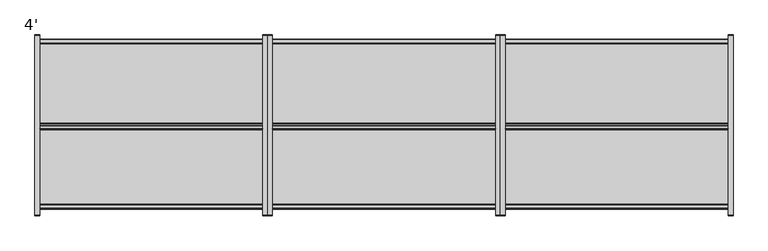
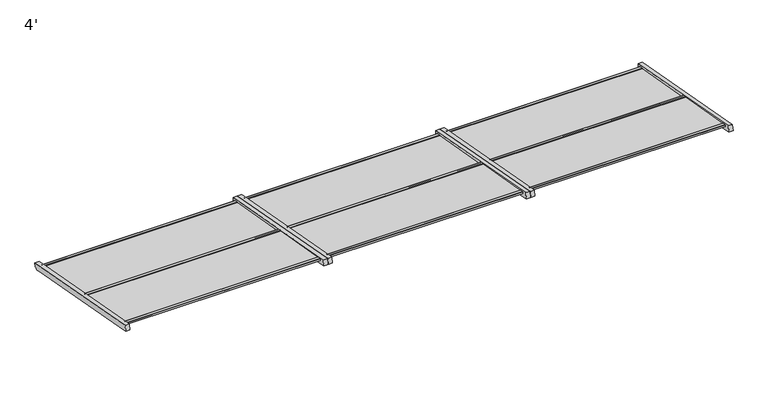
"""IFC4 building model written with IfcOpenShell, lengths in millimetres: proxy geometry, 4'."""

from ifc_helpers import new_model, si_unit, point, frame, frame_2d, origin, place, context, project, spatial, polyline, circle_curve, trimmed, segment, composite_curve, outline, extrude, source, transform, mapped, element, save


def proxy_4_82b99814(model_context):
    return source(origin(), model_context, "Body", "SweptSolid", [
        extrude(outline(composite_curve([segment(polyline([(460.0078009, 1144.760431), (1400.5611515, 971.0289973)]), True, "CONTINUOUS"), segment(trimmed(circle_curve(frame_2d((1376.4076957, 964.7651779)), 24.9524519), [point((1400.5611515, 971.0289973))], [point((1395.5652098, 948.777229))], False, "CARTESIAN"), True, "CONTINUOUS"), segment(polyline([(1395.5652098, 948.777229), (1387.5203895, 948.7764554)]), True, "CONTINUOUS"), segment(trimmed(circle_curve(frame_2d((1387.5205361, 947.2524554)), 1.524), [point((1387.5203895, 948.7764554))], [point((1385.9965361, 947.2523089))], True, "CARTESIAN"), True, "CONTINUOUS"), segment(polyline([(1385.9965361, 947.2523089), (1385.9970672, 941.728928)]), True, "CONTINUOUS"), segment(trimmed(circle_curve(frame_2d((1376.4076957, 964.7651779)), 24.9524519), [point((1385.9970672, 941.728928))], [point((1371.8753499, 940.2278044))], False, "CARTESIAN"), True, "CONTINUOUS"), segment(polyline([(1371.8753499, 940.2278044), (453.5597346, 1109.8516629), (460.0078009, 1144.760431)]), True, "CONTINUOUS")], self_intersect=False)), frame((3632.2, 0.0, 0.0), z_axis=(1.0, 0.0, 0.0), x_axis=(0.0, 1.0, 0.0)), (0.0, 0.0, 1.0), 25.4),
        extrude(outline(composite_curve([segment(polyline([(460.0078009, 1144.760431), (1400.5611515, 971.0289973)]), True, "CONTINUOUS"), segment(trimmed(circle_curve(frame_2d((1376.4076957, 964.7651779)), 24.9524519), [point((1400.5611515, 971.0289973))], [point((1395.5652098, 948.777229))], False, "CARTESIAN"), True, "CONTINUOUS"), segment(polyline([(1395.5652098, 948.777229), (1387.5203895, 948.7764554)]), True, "CONTINUOUS"), segment(trimmed(circle_curve(frame_2d((1387.5205361, 947.2524554)), 1.524), [point((1387.5203895, 948.7764554))], [point((1385.9965361, 947.2523089))], True, "CARTESIAN"), True, "CONTINUOUS"), segment(polyline([(1385.9965361, 947.2523089), (1385.9970672, 941.728928)]), True, "CONTINUOUS"), segment(trimmed(circle_curve(frame_2d((1376.4076957, 964.7651779)), 24.9524519), [point((1385.9970672, 941.728928))], [point((1371.8753499, 940.2278044))], False, "CARTESIAN"), True, "CONTINUOUS"), segment(polyline([(1371.8753499, 940.2278044), (453.5597346, 1109.8516629), (460.0078009, 1144.760431)]), True, "CONTINUOUS")], self_intersect=False)), frame((2438.4, 0.0, 0.0), z_axis=(1.0, 0.0, 0.0), x_axis=(0.0, 1.0, 0.0)), (0.0, 0.0, 1.0), 25.4),
        extrude(outline(polyline([(1376.1294622, 962.4138579), (1375.520425, 958.4603964), (916.2992128, 1038.9871618), (916.9130423, 1042.9397828), (1376.1294622, 962.4138579)])), frame((2463.8, 0.0, 0.0), z_axis=(1.0, 0.0, 0.0), x_axis=(0.0, 1.0, 0.0)), (0.0, 0.0, 1.0), 1168.4),
        extrude(outline(polyline([(492.2363999, 1130.0139048), (923.3122252, 1055.2386711), (922.7032029, 1051.2853065), (491.6300654, 1126.0779874), (492.2363999, 1130.0139048)])), frame((2463.8, 0.0, 0.0), z_axis=(1.0, 0.0, 0.0), x_axis=(0.0, 1.0, 0.0)), (0.0, 0.0, 1.0), 1168.4),
        extrude(outline(composite_curve([segment(polyline([(917.1527086, 1043.1239377), (916.546374, 1039.1880203), (930.8354949, 1036.7088084), (930.4164272, 1033.9885015), (914.1087981, 1036.5007184), (915.3268425, 1044.407447)]), True, "CONTINUOUS"), segment(trimmed(circle_curve(frame_2d((917.3035255, 1044.1029357)), 2.0000007), [point((915.3268425, 1044.407447))], [point((917.6080367, 1046.0796187))], False, "CARTESIAN"), True, "CONTINUOUS"), segment(polyline([(917.6080367, 1046.0796187), (936.386518, 1043.1867631)]), True, "CONTINUOUS"), segment(trimmed(circle_curve(frame_2d((936.0820068, 1041.2100807)), 2.0), [point((936.386518, 1043.1867631))], [point((938.0586892, 1040.9055696))], False, "CARTESIAN"), True, "CONTINUOUS"), segment(polyline([(938.0586892, 1040.9055696), (937.8474263, 1039.5341925), (917.1527086, 1043.1239377)]), True, "CONTINUOUS")], self_intersect=False)), frame((2463.8, 0.0, 0.0), z_axis=(1.0, 0.0, 0.0), x_axis=(0.0, 1.0, 0.0)), (0.0, 0.0, 1.0), 1168.4),
        extrude(outline(composite_curve([segment(polyline([(1376.1301067, 962.4180416), (1355.4353889, 966.0077868)]), True, "CONTINUOUS"), segment(trimmed(circle_curve(frame_2d((1357.4932469, 966.2302094)), 2.0698434), [point((1355.4353889, 966.0077868))], [point((1357.8083921, 968.2759208))], False, "CARTESIAN"), True, "CONTINUOUS"), segment(polyline([(1357.8083921, 968.2759208), (1376.5868727, 965.3830652)]), True, "CONTINUOUS"), segment(trimmed(circle_curve(frame_2d((1376.2823614, 963.4063822)), 2.0000007), [point((1376.5868727, 965.3830652))], [point((1378.2590444, 963.101871))], False, "CARTESIAN"), True, "CONTINUOUS"), segment(polyline([(1378.2590444, 963.101871), (1377.041, 955.1951424), (1360.7333709, 957.7073593), (1361.2319636, 960.9438889), (1375.5210844, 958.464677), (1376.1301067, 962.4180416)]), True, "CONTINUOUS")], self_intersect=False)), frame((2463.8, 0.0, 0.0), z_axis=(1.0, 0.0, 0.0), x_axis=(0.0, 1.0, 0.0)), (0.0, 0.0, 1.0), 1168.4),
        extrude(outline(composite_curve([segment(polyline([(492.2363999, 1130.0139048), (491.6300654, 1126.0779874), (505.9191862, 1123.5987755), (505.5001185, 1120.8784686), (489.1924895, 1123.3906855), (490.4105339, 1131.2974141)]), True, "CONTINUOUS"), segment(trimmed(circle_curve(frame_2d((492.3872169, 1130.9929028)), 2.0000007), [point((490.4105339, 1131.2974141))], [point((492.6917281, 1132.9695858))], False, "CARTESIAN"), True, "CONTINUOUS"), segment(polyline([(492.6917281, 1132.9695858), (511.4702094, 1130.0767302)]), True, "CONTINUOUS"), segment(trimmed(circle_curve(frame_2d((511.1656982, 1128.1000478)), 2.0), [point((511.4702094, 1130.0767302))], [point((513.1423806, 1127.7955367))], False, "CARTESIAN"), True, "CONTINUOUS"), segment(polyline([(513.1423806, 1127.7955367), (512.9311177, 1126.4241596), (492.2363999, 1130.0139048)]), True, "CONTINUOUS")], self_intersect=False)), frame((2463.8, 0.0, 0.0), z_axis=(1.0, 0.0, 0.0), x_axis=(0.0, 1.0, 0.0)), (0.0, 0.0, 1.0), 1168.4),
        extrude(outline(composite_curve([segment(polyline([(923.3122252, 1055.2386711), (902.6175074, 1058.8284163)]), True, "CONTINUOUS"), segment(trimmed(circle_curve(frame_2d((904.6753655, 1059.0508389)), 2.0698434), [point((902.6175074, 1058.8284163))], [point((904.9905106, 1061.0965503))], False, "CARTESIAN"), True, "CONTINUOUS"), segment(polyline([(904.9905106, 1061.0965503), (923.7689912, 1058.2036947)]), True, "CONTINUOUS"), segment(trimmed(circle_curve(frame_2d((923.46448, 1056.2270117)), 2.0000007), [point((923.7689912, 1058.2036947))], [point((925.441163, 1055.9225005))], False, "CARTESIAN"), True, "CONTINUOUS"), segment(polyline([(925.441163, 1055.9225005), (924.2231185, 1048.0157719), (907.9154895, 1050.5279888), (908.4140821, 1053.7645184), (922.7032029, 1051.2853065), (923.3122252, 1055.2386711)]), True, "CONTINUOUS")], self_intersect=False)), frame((2463.8, 0.0, 0.0), z_axis=(1.0, 0.0, 0.0), x_axis=(0.0, 1.0, 0.0)), (0.0, 0.0, 1.0), 1168.4),
        extrude(outline(composite_curve([segment(polyline([(460.0078009, 1144.760431), (1400.5611515, 971.0289973)]), True, "CONTINUOUS"), segment(trimmed(circle_curve(frame_2d((1376.4076957, 964.7651779)), 24.9524519), [point((1400.5611515, 971.0289973))], [point((1395.5652098, 948.777229))], False, "CARTESIAN"), True, "CONTINUOUS"), segment(polyline([(1395.5652098, 948.777229), (1387.5203895, 948.7764554)]), True, "CONTINUOUS"), segment(trimmed(circle_curve(frame_2d((1387.5205361, 947.2524554)), 1.524), [point((1387.5203895, 948.7764554))], [point((1385.9965361, 947.2523089))], True, "CARTESIAN"), True, "CONTINUOUS"), segment(polyline([(1385.9965361, 947.2523089), (1385.9970672, 941.728928)]), True, "CONTINUOUS"), segment(trimmed(circle_curve(frame_2d((1376.4076957, 964.7651779)), 24.9524519), [point((1385.9970672, 941.728928))], [point((1371.8753499, 940.2278044))], False, "CARTESIAN"), True, "CONTINUOUS"), segment(polyline([(1371.8753499, 940.2278044), (453.5597346, 1109.8516629), (460.0078009, 1144.760431)]), True, "CONTINUOUS")], self_intersect=False)), frame((2413.0, 0.0, 0.0), z_axis=(1.0, 0.0, 0.0), x_axis=(0.0, 1.0, 0.0)), (0.0, 0.0, 1.0), 25.4),
        extrude(outline(composite_curve([segment(polyline([(460.0078009, 1144.760431), (1400.5611515, 971.0289973)]), True, "CONTINUOUS"), segment(trimmed(circle_curve(frame_2d((1376.4076957, 964.7651779)), 24.9524519), [point((1400.5611515, 971.0289973))], [point((1395.5652098, 948.777229))], False, "CARTESIAN"), True, "CONTINUOUS"), segment(polyline([(1395.5652098, 948.777229), (1387.5203895, 948.7764554)]), True, "CONTINUOUS"), segment(trimmed(circle_curve(frame_2d((1387.5205361, 947.2524554)), 1.524), [point((1387.5203895, 948.7764554))], [point((1385.9965361, 947.2523089))], True, "CARTESIAN"), True, "CONTINUOUS"), segment(polyline([(1385.9965361, 947.2523089), (1385.9970672, 941.728928)]), True, "CONTINUOUS"), segment(trimmed(circle_curve(frame_2d((1376.4076957, 964.7651779)), 24.9524519), [point((1385.9970672, 941.728928))], [point((1371.8753499, 940.2278044))], False, "CARTESIAN"), True, "CONTINUOUS"), segment(polyline([(1371.8753499, 940.2278044), (453.5597346, 1109.8516629), (460.0078009, 1144.760431)]), True, "CONTINUOUS")], self_intersect=False)), frame((1219.2, 0.0, 0.0), z_axis=(1.0, 0.0, 0.0), x_axis=(0.0, 1.0, 0.0)), (0.0, 0.0, 1.0), 25.4),
        extrude(outline(polyline([(1376.1294622, 962.4138579), (1375.520425, 958.4603964), (916.2992128, 1038.9871618), (916.9130423, 1042.9397828), (1376.1294622, 962.4138579)])), frame((1244.6, 0.0, 0.0), z_axis=(1.0, 0.0, 0.0), x_axis=(0.0, 1.0, 0.0)), (0.0, 0.0, 1.0), 1168.4),
        extrude(outline(polyline([(492.2363999, 1130.0139048), (923.3122252, 1055.2386711), (922.7032029, 1051.2853065), (491.6300654, 1126.0779874), (492.2363999, 1130.0139048)])), frame((1244.6, 0.0, 0.0), z_axis=(1.0, 0.0, 0.0), x_axis=(0.0, 1.0, 0.0)), (0.0, 0.0, 1.0), 1168.4),
        extrude(outline(composite_curve([segment(polyline([(917.1527086, 1043.1239377), (916.546374, 1039.1880203), (930.8354949, 1036.7088084), (930.4164272, 1033.9885015), (914.1087981, 1036.5007184), (915.3268425, 1044.407447)]), True, "CONTINUOUS"), segment(trimmed(circle_curve(frame_2d((917.3035255, 1044.1029357)), 2.0000007), [point((915.3268425, 1044.407447))], [point((917.6080367, 1046.0796187))], False, "CARTESIAN"), True, "CONTINUOUS"), segment(polyline([(917.6080367, 1046.0796187), (936.386518, 1043.1867631)]), True, "CONTINUOUS"), segment(trimmed(circle_curve(frame_2d((936.0820068, 1041.2100807)), 2.0), [point((936.386518, 1043.1867631))], [point((938.0586892, 1040.9055696))], False, "CARTESIAN"), True, "CONTINUOUS"), segment(polyline([(938.0586892, 1040.9055696), (937.8474263, 1039.5341925), (917.1527086, 1043.1239377)]), True, "CONTINUOUS")], self_intersect=False)), frame((1244.6, 0.0, 0.0), z_axis=(1.0, 0.0, 0.0), x_axis=(0.0, 1.0, 0.0)), (0.0, 0.0, 1.0), 1168.4),
        extrude(outline(composite_curve([segment(polyline([(1376.1301067, 962.4180416), (1355.4353889, 966.0077868)]), True, "CONTINUOUS"), segment(trimmed(circle_curve(frame_2d((1357.4932469, 966.2302094)), 2.0698434), [point((1355.4353889, 966.0077868))], [point((1357.8083921, 968.2759208))], False, "CARTESIAN"), True, "CONTINUOUS"), segment(polyline([(1357.8083921, 968.2759208), (1376.5868727, 965.3830652)]), True, "CONTINUOUS"), segment(trimmed(circle_curve(frame_2d((1376.2823614, 963.4063822)), 2.0000007), [point((1376.5868727, 965.3830652))], [point((1378.2590444, 963.101871))], False, "CARTESIAN"), True, "CONTINUOUS"), segment(polyline([(1378.2590444, 963.101871), (1377.041, 955.1951424), (1360.7333709, 957.7073593), (1361.2319636, 960.9438889), (1375.5210844, 958.464677), (1376.1301067, 962.4180416)]), True, "CONTINUOUS")], self_intersect=False)), frame((1244.6, 0.0, 0.0), z_axis=(1.0, 0.0, 0.0), x_axis=(0.0, 1.0, 0.0)), (0.0, 0.0, 1.0), 1168.4),
        extrude(outline(composite_curve([segment(polyline([(492.2363999, 1130.0139048), (491.6300654, 1126.0779874), (505.9191862, 1123.5987755), (505.5001185, 1120.8784686), (489.1924895, 1123.3906855), (490.4105339, 1131.2974141)]), True, "CONTINUOUS"), segment(trimmed(circle_curve(frame_2d((492.3872169, 1130.9929028)), 2.0000007), [point((490.4105339, 1131.2974141))], [point((492.6917281, 1132.9695858))], False, "CARTESIAN"), True, "CONTINUOUS"), segment(polyline([(492.6917281, 1132.9695858), (511.4702094, 1130.0767302)]), True, "CONTINUOUS"), segment(trimmed(circle_curve(frame_2d((511.1656982, 1128.1000478)), 2.0), [point((511.4702094, 1130.0767302))], [point((513.1423806, 1127.7955367))], False, "CARTESIAN"), True, "CONTINUOUS"), segment(polyline([(513.1423806, 1127.7955367), (512.9311177, 1126.4241596), (492.2363999, 1130.0139048)]), True, "CONTINUOUS")], self_intersect=False)), frame((1244.6, 0.0, 0.0), z_axis=(1.0, 0.0, 0.0), x_axis=(0.0, 1.0, 0.0)), (0.0, 0.0, 1.0), 1168.4),
        extrude(outline(composite_curve([segment(polyline([(923.3122252, 1055.2386711), (902.6175074, 1058.8284163)]), True, "CONTINUOUS"), segment(trimmed(circle_curve(frame_2d((904.6753655, 1059.0508389)), 2.0698434), [point((902.6175074, 1058.8284163))], [point((904.9905106, 1061.0965503))], False, "CARTESIAN"), True, "CONTINUOUS"), segment(polyline([(904.9905106, 1061.0965503), (923.7689912, 1058.2036947)]), True, "CONTINUOUS"), segment(trimmed(circle_curve(frame_2d((923.46448, 1056.2270117)), 2.0000007), [point((923.7689912, 1058.2036947))], [point((925.441163, 1055.9225005))], False, "CARTESIAN"), True, "CONTINUOUS"), segment(polyline([(925.441163, 1055.9225005), (924.2231185, 1048.0157719), (907.9154895, 1050.5279888), (908.4140821, 1053.7645184), (922.7032029, 1051.2853065), (923.3122252, 1055.2386711)]), True, "CONTINUOUS")], self_intersect=False)), frame((1244.6, 0.0, 0.0), z_axis=(1.0, 0.0, 0.0), x_axis=(0.0, 1.0, 0.0)), (0.0, 0.0, 1.0), 1168.4),
        extrude(outline(composite_curve([segment(polyline([(460.0078009, 1144.760431), (1400.5611515, 971.0289973)]), True, "CONTINUOUS"), segment(trimmed(circle_curve(frame_2d((1376.4076957, 964.7651779)), 24.9524519), [point((1400.5611515, 971.0289973))], [point((1395.5652098, 948.777229))], False, "CARTESIAN"), True, "CONTINUOUS"), segment(polyline([(1395.5652098, 948.777229), (1387.5203895, 948.7764554)]), True, "CONTINUOUS"), segment(trimmed(circle_curve(frame_2d((1387.5205361, 947.2524554)), 1.524), [point((1387.5203895, 948.7764554))], [point((1385.9965361, 947.2523089))], True, "CARTESIAN"), True, "CONTINUOUS"), segment(polyline([(1385.9965361, 947.2523089), (1385.9970672, 941.728928)]), True, "CONTINUOUS"), segment(trimmed(circle_curve(frame_2d((1376.4076957, 964.7651779)), 24.9524519), [point((1385.9970672, 941.728928))], [point((1371.8753499, 940.2278044))], False, "CARTESIAN"), True, "CONTINUOUS"), segment(polyline([(1371.8753499, 940.2278044), (453.5597346, 1109.8516629), (460.0078009, 1144.760431)]), True, "CONTINUOUS")], self_intersect=False)), frame((1193.8, 0.0, 0.0), z_axis=(1.0, 0.0, 0.0), x_axis=(0.0, 1.0, 0.0)), (0.0, 0.0, 1.0), 25.4),
        extrude(outline(composite_curve([segment(polyline([(460.0078009, 1144.760431), (1400.5611515, 971.0289973)]), True, "CONTINUOUS"), segment(trimmed(circle_curve(frame_2d((1376.4076957, 964.7651779)), 24.9524519), [point((1400.5611515, 971.0289973))], [point((1395.5652098, 948.777229))], False, "CARTESIAN"), True, "CONTINUOUS"), segment(polyline([(1395.5652098, 948.777229), (1387.5203895, 948.7764554)]), True, "CONTINUOUS"), segment(trimmed(circle_curve(frame_2d((1387.5205361, 947.2524554)), 1.524), [point((1387.5203895, 948.7764554))], [point((1385.9965361, 947.2523089))], True, "CARTESIAN"), True, "CONTINUOUS"), segment(polyline([(1385.9965361, 947.2523089), (1385.9970672, 941.728928)]), True, "CONTINUOUS"), segment(trimmed(circle_curve(frame_2d((1376.4076957, 964.7651779)), 24.9524519), [point((1385.9970672, 941.728928))], [point((1371.8753499, 940.2278044))], False, "CARTESIAN"), True, "CONTINUOUS"), segment(polyline([(1371.8753499, 940.2278044), (453.5597346, 1109.8516629), (460.0078009, 1144.760431)]), True, "CONTINUOUS")], self_intersect=False)), frame((0.0, 0.0, 0.0), z_axis=(1.0, 0.0, 0.0), x_axis=(0.0, 1.0, 0.0)), (0.0, 0.0, 1.0), 25.4),
        extrude(outline(polyline([(1376.1294622, 962.4138579), (1375.520425, 958.4603964), (916.2992128, 1038.9871618), (916.9130423, 1042.9397828), (1376.1294622, 962.4138579)])), frame((25.4, 0.0, 0.0), z_axis=(1.0, 0.0, 0.0), x_axis=(0.0, 1.0, 0.0)), (0.0, 0.0, 1.0), 1168.4),
        extrude(outline(polyline([(492.2363999, 1130.0139048), (923.3122252, 1055.2386711), (922.7032029, 1051.2853065), (491.6300654, 1126.0779874), (492.2363999, 1130.0139048)])), frame((25.4, 0.0, 0.0), z_axis=(1.0, 0.0, 0.0), x_axis=(0.0, 1.0, 0.0)), (0.0, 0.0, 1.0), 1168.4),
        extrude(outline(composite_curve([segment(polyline([(917.1527086, 1043.1239377), (916.546374, 1039.1880203), (930.8354949, 1036.7088084), (930.4164272, 1033.9885015), (914.1087981, 1036.5007184), (915.3268425, 1044.407447)]), True, "CONTINUOUS"), segment(trimmed(circle_curve(frame_2d((917.3035255, 1044.1029357)), 2.0000007), [point((915.3268425, 1044.407447))], [point((917.6080367, 1046.0796187))], False, "CARTESIAN"), True, "CONTINUOUS"), segment(polyline([(917.6080367, 1046.0796187), (936.386518, 1043.1867631)]), True, "CONTINUOUS"), segment(trimmed(circle_curve(frame_2d((936.0820068, 1041.2100807)), 2.0), [point((936.386518, 1043.1867631))], [point((938.0586892, 1040.9055696))], False, "CARTESIAN"), True, "CONTINUOUS"), segment(polyline([(938.0586892, 1040.9055696), (937.8474263, 1039.5341925), (917.1527086, 1043.1239377)]), True, "CONTINUOUS")], self_intersect=False)), frame((25.4, 0.0, 0.0), z_axis=(1.0, 0.0, 0.0), x_axis=(0.0, 1.0, 0.0)), (0.0, 0.0, 1.0), 1168.4),
        extrude(outline(composite_curve([segment(polyline([(1376.1301067, 962.4180416), (1355.4353889, 966.0077868)]), True, "CONTINUOUS"), segment(trimmed(circle_curve(frame_2d((1357.4932469, 966.2302094)), 2.0698434), [point((1355.4353889, 966.0077868))], [point((1357.8083921, 968.2759208))], False, "CARTESIAN"), True, "CONTINUOUS"), segment(polyline([(1357.8083921, 968.2759208), (1376.5868727, 965.3830652)]), True, "CONTINUOUS"), segment(trimmed(circle_curve(frame_2d((1376.2823614, 963.4063822)), 2.0000007), [point((1376.5868727, 965.3830652))], [point((1378.2590444, 963.101871))], False, "CARTESIAN"), True, "CONTINUOUS"), segment(polyline([(1378.2590444, 963.101871), (1377.041, 955.1951424), (1360.7333709, 957.7073593), (1361.2319636, 960.9438889), (1375.5210844, 958.464677), (1376.1301067, 962.4180416)]), True, "CONTINUOUS")], self_intersect=False)), frame((25.4, 0.0, 0.0), z_axis=(1.0, 0.0, 0.0), x_axis=(0.0, 1.0, 0.0)), (0.0, 0.0, 1.0), 1168.4),
        extrude(outline(composite_curve([segment(polyline([(492.2363999, 1130.0139048), (491.6300654, 1126.0779874), (505.9191862, 1123.5987755), (505.5001185, 1120.8784686), (489.1924895, 1123.3906855), (490.4105339, 1131.2974141)]), True, "CONTINUOUS"), segment(trimmed(circle_curve(frame_2d((492.3872169, 1130.9929028)), 2.0000007), [point((490.4105339, 1131.2974141))], [point((492.6917281, 1132.9695858))], False, "CARTESIAN"), True, "CONTINUOUS"), segment(polyline([(492.6917281, 1132.9695858), (511.4702094, 1130.0767302)]), True, "CONTINUOUS"), segment(trimmed(circle_curve(frame_2d((511.1656982, 1128.1000478)), 2.0), [point((511.4702094, 1130.0767302))], [point((513.1423806, 1127.7955367))], False, "CARTESIAN"), True, "CONTINUOUS"), segment(polyline([(513.1423806, 1127.7955367), (512.9311177, 1126.4241596), (492.2363999, 1130.0139048)]), True, "CONTINUOUS")], self_intersect=False)), frame((25.4, 0.0, 0.0), z_axis=(1.0, 0.0, 0.0), x_axis=(0.0, 1.0, 0.0)), (0.0, 0.0, 1.0), 1168.4),
        extrude(outline(composite_curve([segment(polyline([(923.3122252, 1055.2386711), (902.6175074, 1058.8284163)]), True, "CONTINUOUS"), segment(trimmed(circle_curve(frame_2d((904.6753655, 1059.0508389)), 2.0698434), [point((902.6175074, 1058.8284163))], [point((904.9905106, 1061.0965503))], False, "CARTESIAN"), True, "CONTINUOUS"), segment(polyline([(904.9905106, 1061.0965503), (923.7689912, 1058.2036947)]), True, "CONTINUOUS"), segment(trimmed(circle_curve(frame_2d((923.46448, 1056.2270117)), 2.0000007), [point((923.7689912, 1058.2036947))], [point((925.441163, 1055.9225005))], False, "CARTESIAN"), True, "CONTINUOUS"), segment(polyline([(925.441163, 1055.9225005), (924.2231185, 1048.0157719), (907.9154895, 1050.5279888), (908.4140821, 1053.7645184), (922.7032029, 1051.2853065), (923.3122252, 1055.2386711)]), True, "CONTINUOUS")], self_intersect=False)), frame((25.4, 0.0, 0.0), z_axis=(1.0, 0.0, 0.0), x_axis=(0.0, 1.0, 0.0)), (0.0, 0.0, 1.0), 1168.4),
    ])


if __name__ == "__main__":
    model = new_model("IFC4")
    model_context = context("Model", 3, world=origin())
    ifc_project = project(units=[si_unit("LENGTHUNIT", "METRE", prefix="MILLI")], contexts=[model_context])
    site = spatial("IfcSite", under=ifc_project)
    building = spatial("IfcBuilding", under=site)
    placement = place(None, origin())
    proxy_4_shape = proxy_4_82b99814(model_context)
    element("IfcBuildingElementProxy", 1, Name="4'", ObjectType="4'", at=placement, inside=building, context=model_context, shape_type="MappedRepresentation", body=[
        mapped(proxy_4_shape, transform((0.0, 0.0, 0.0), x_axis=(1.0, 0.0, 0.0), y_axis=(0.0, 1.0, 0.0), z_axis=(0.0, 0.0, 1.0))),
    ])
    save(model, "model.ifc")
